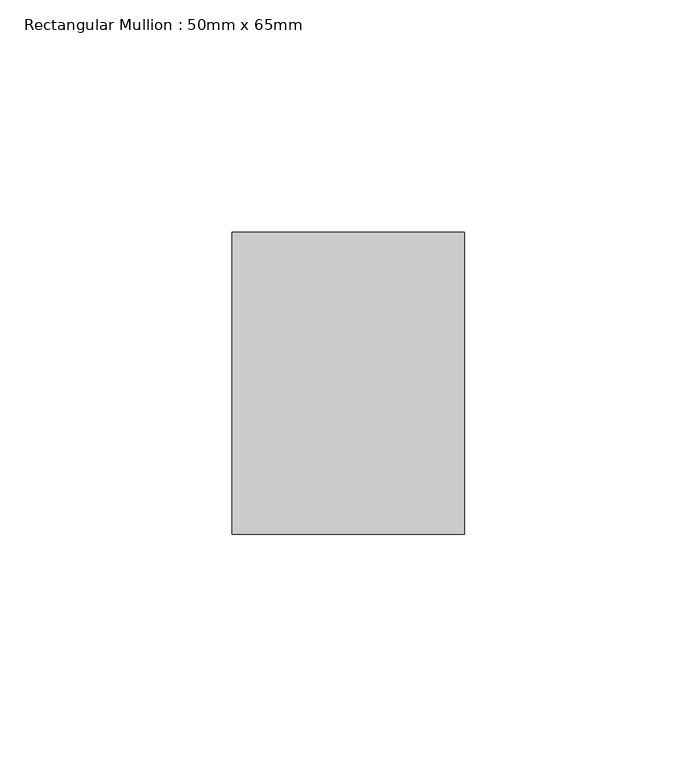
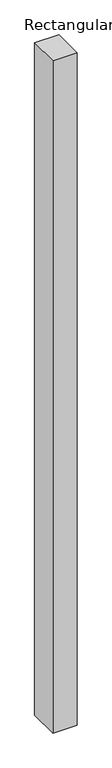
"""IFC4 building model written with IfcOpenShell, lengths in millimetres: member geometry, Rectangular Mullion : 50mm x 65mm."""

from ifc_helpers import new_model, si_unit, frame, origin, place, context, project, spatial, polyline, outline, extrude, source, transform, mapped, element, save


def rectangular_mullion_50mm_x_65mm_e85f585c(model_context):
    return source(origin(), model_context, "Body", "SweptSolid", [
        extrude(outline(polyline([(25.0, 32.5), (25.0, -32.5), (-25.0, -32.5), (-25.0, 32.5), (25.0, 32.5)])), frame((0.0, 0.0, -1473.7163721), z_axis=(0.0, 0.0, 1.0), x_axis=(1.0, 0.0, 0.0)), (0.0, 0.0, 1.0), 1473.7163721),
    ])


if __name__ == "__main__":
    model = new_model("IFC4")
    model_context = context("Model", 3, world=origin())
    ifc_project = project(units=[si_unit("LENGTHUNIT", "METRE", prefix="MILLI")], contexts=[model_context])
    site = spatial("IfcSite", under=ifc_project)
    building = spatial("IfcBuilding", under=site)
    placement = place(None, origin())
    rectangular_mullion_50mm_x_65mm_shape = rectangular_mullion_50mm_x_65mm_e85f585c(model_context)
    element("IfcMember", 1, ObjectType="Rectangular Mullion : 50mm x 65mm", at=placement, inside=building, context=model_context, shape_type="MappedRepresentation", body=[
        mapped(rectangular_mullion_50mm_x_65mm_shape, transform((0.0, 0.0, 0.0), x_axis=(1.0, 0.0, 0.0), y_axis=(0.0, 1.0, 0.0), z_axis=(0.0, 0.0, 1.0))),
    ])
    save(model, "model.ifc")
